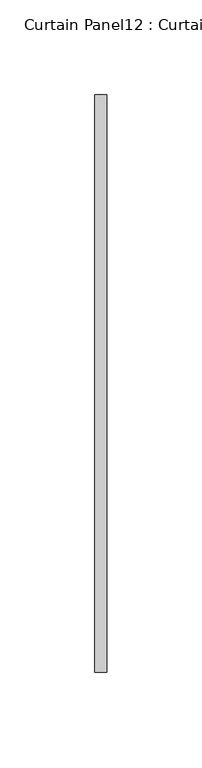
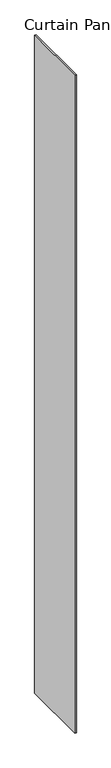
"""IFC4 building model written with IfcOpenShell, lengths in millimetres: plate geometry, Curtain Panel12 : Curtain Panel."""

from ifc_helpers import new_model, si_unit, origin, origin_with_axes, place, context, project, spatial, polyline, outline, extrude, source, transform, mapped, element, save


def curtain_panel12_curtain_panel_4072e786(model_context):
    return source(origin(), model_context, "Body", "SweptSolid", [
        extrude(outline(polyline([(189763.3310674, 2030.7041784), (189763.3310674, 2335.5041784), (189769.6810674, 2335.5041784), (189769.6810674, 2030.7041784), (189763.3310674, 2030.7041784)])), origin_with_axes(), (0.0, 0.0, 1.0), 3048.0),
    ])


if __name__ == "__main__":
    model = new_model("IFC4")
    model_context = context("Model", 3, world=origin())
    ifc_project = project(units=[si_unit("LENGTHUNIT", "METRE", prefix="MILLI")], contexts=[model_context])
    site = spatial("IfcSite", under=ifc_project)
    building = spatial("IfcBuilding", under=site)
    placement = place(None, origin())
    curtain_panel12_curtain_panel_shape = curtain_panel12_curtain_panel_4072e786(model_context)
    element("IfcPlate", 1, ObjectType="Curtain Panel12 : Curtain Panel", at=placement, inside=building, context=model_context, shape_type="MappedRepresentation", body=[
        mapped(curtain_panel12_curtain_panel_shape, transform((0.0, 0.0, 0.0), x_axis=(1.0, 0.0, 0.0), y_axis=(0.0, 1.0, 0.0), z_axis=(0.0, 0.0, 1.0))),
    ])
    save(model, "model.ifc")
